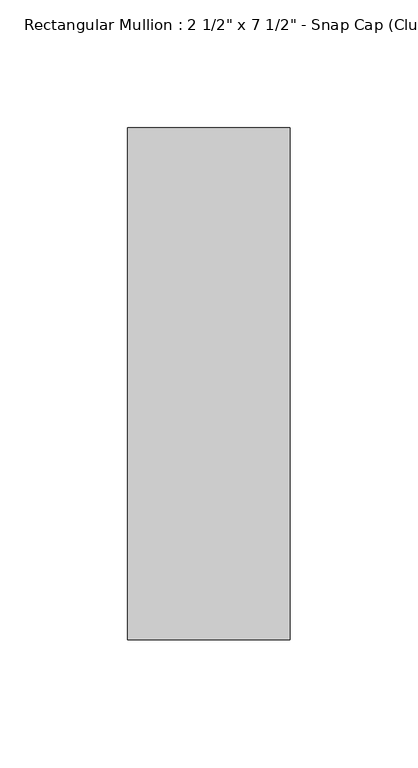
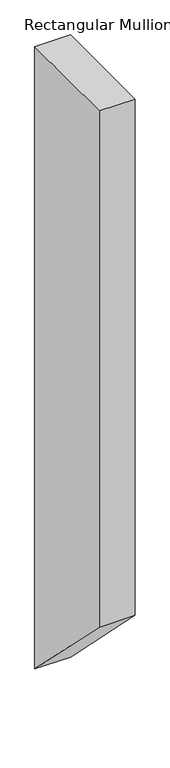
"""IFC4 building model written with IfcOpenShell, lengths in millimetres: member geometry."""

import ifcopenshell
import ifcopenshell.guid

model = None  # the IFC model being written
_history = None  # IfcOwnerHistory: only IFC2X3 demands one
_inside = {}  # id of a spatial element -> (the spatial element, [elements in it])
_under = {}  # id of a project, library or spatial element -> (it, [spatial elements below it])
_declared = {}  # id of a project -> (the project, [libraries it declares])
_typed = {}  # id of a type object -> (the type object, [elements of that type])
_made_of = {}  # id of a material, layer set ... -> (it, [elements and type objects made of it])


def new_model(schema):
    """Start an empty IFC model of exactly this schema.

    Asked for "IFC4X3", IfcOpenShell would pick the latest addendum, in which some entities
    have other attributes; the version numbers below select the first issue.
    IFC2X3 requires an IfcOwnerHistory on every rooted entity: one is made here for all.
    """
    global model, _history
    if schema == "IFC4X3":
        model = ifcopenshell.file(schema_version=(4, 3, 0, 0))
    else:
        model = ifcopenshell.file(schema=schema)
    _inside.clear()
    _under.clear()
    _declared.clear()
    _typed.clear()
    _made_of.clear()
    _history = None
    if model.schema == "IFC2X3":
        org = make("IfcOrganization", Name="unknown")
        user = make(
            "IfcPersonAndOrganization",
            ThePerson=make("IfcPerson", FamilyName="unknown"),
            TheOrganization=org,
        )
        app = make(
            "IfcApplication",
            ApplicationDeveloper=org,
            Version="unknown",
            ApplicationFullName="unknown",
            ApplicationIdentifier="unknown",
        )
        _history = make(
            "IfcOwnerHistory",
            OwningUser=user,
            OwningApplication=app,
            ChangeAction="ADDED",
            CreationDate=0,
        )
    return model


def make(cls, **values):
    """One entity of the class cls with the attributes given. An attribute that is None is left unset."""
    return model.create_entity(
        cls, **{name: value for name, value in values.items() if value is not None}
    )


def rooted(cls, **values):
    """An entity with a GlobalId (a new one), such as an element, a storey or a relation."""
    return make(cls, GlobalId=ifcopenshell.guid.new(), OwnerHistory=_history, **values)


def si_unit(unit_type, name, prefix=None):
    """IfcSIUnit, for example si_unit("LENGTHUNIT", "METRE", prefix="MILLI")."""
    return make("IfcSIUnit", UnitType=unit_type, Prefix=prefix, Name=name)


def assignment(units):
    """IfcUnitAssignment: the units of a project."""
    return None if units is None else make("IfcUnitAssignment", Units=units)


def point(xyz):
    """IfcCartesianPoint."""
    return None if xyz is None else make("IfcCartesianPoint", Coordinates=xyz)


def direction(xyz):
    """IfcDirection."""
    return None if xyz is None else make("IfcDirection", DirectionRatios=xyz)


def frame(location, z_axis=None, x_axis=None):
    """IfcAxis2Placement3D, a coordinate frame: its origin and axes. An axis left out is left unset."""
    return make(
        "IfcAxis2Placement3D",
        Location=point(location),
        Axis=direction(z_axis),
        RefDirection=direction(x_axis),
    )


def origin():
    """The frame at (0, 0, 0) with its axes left unset."""
    return frame((0.0, 0.0, 0.0))


def place(relative_to, where):
    """IfcLocalPlacement: puts the frame where relative to a parent placement (None: the world)."""
    return make(
        "IfcLocalPlacement", PlacementRelTo=relative_to, RelativePlacement=where
    )


def context(
    kind, dimensions, precision=None, world=None, true_north=None, identifier=None
):
    """IfcGeometricRepresentationContext, for example the 3D "Model" context."""
    return make(
        "IfcGeometricRepresentationContext",
        ContextIdentifier=identifier,
        ContextType=kind,
        CoordinateSpaceDimension=dimensions,
        Precision=precision,
        WorldCoordinateSystem=world,
        TrueNorth=true_north,
    )


def project(units=None, contexts=None):
    """IfcProject with its units and contexts."""
    return rooted(
        "IfcProject",
        Name="project",
        RepresentationContexts=contexts,
        UnitsInContext=assignment(units),
    )


def spatial(cls, under=None, at=None, **own):
    """A site, building, storey or space (cls), placed at a placement, below another one or the project."""
    s = rooted(cls, ObjectPlacement=at, **own)
    if under is not None:
        _under.setdefault(under.id(), (under, []))[1].append(s)
    return s


def polyline(points):
    """IfcPolyline through the points."""
    return make("IfcPolyline", Points=[point(p) for p in points])


def outline(outer, holes=None, kind="AREA"):
    """IfcArbitraryClosedProfileDef: a profile drawn as a closed curve; with holes, ...WithVoids."""
    if holes is None:
        return make("IfcArbitraryClosedProfileDef", ProfileType=kind, OuterCurve=outer)
    return make(
        "IfcArbitraryProfileDefWithVoids",
        ProfileType=kind,
        OuterCurve=outer,
        InnerCurves=holes,
    )


def extrude(swept, where, along, depth):
    """IfcExtrudedAreaSolid: the profile swept, set in the frame where, extruded along a direction by depth."""
    return make(
        "IfcExtrudedAreaSolid",
        SweptArea=swept,
        Position=where,
        ExtrudedDirection=direction(along),
        Depth=depth,
    )


def shape(context_of_items, identifier, shape_type, items):
    """IfcShapeRepresentation: the items that make up one representation, for example the "Body"."""
    return make(
        "IfcShapeRepresentation",
        ContextOfItems=context_of_items,
        RepresentationIdentifier=identifier,
        RepresentationType=shape_type,
        Items=items,
    )


def source(mapping_origin, context_of_items, identifier, shape_type, items):
    """IfcRepresentationMap: a shape defined once, which mapped items show again and again."""
    return make(
        "IfcRepresentationMap",
        MappingOrigin=mapping_origin,
        MappedRepresentation=shape(context_of_items, identifier, shape_type, items),
    )


def transform(
    local_origin,
    x_axis=None,
    y_axis=None,
    z_axis=None,
    scale=None,
    scale2=None,
    scale3=None,
    uniform=True,
):
    """IfcCartesianTransformationOperator3D, or its non-uniform kind. x_axis, y_axis, z_axis: its Axis1, 2, 3."""
    if uniform:
        return make(
            "IfcCartesianTransformationOperator3D",
            Axis1=direction(x_axis),
            Axis2=direction(y_axis),
            LocalOrigin=point(local_origin),
            Scale=scale,
            Axis3=direction(z_axis),
        )
    return make(
        "IfcCartesianTransformationOperator3DnonUniform",
        Axis1=direction(x_axis),
        Axis2=direction(y_axis),
        LocalOrigin=point(local_origin),
        Scale=scale,
        Axis3=direction(z_axis),
        Scale2=scale2,
        Scale3=scale3,
    )


def mapped(mapping_source, mapping_target):
    """IfcMappedItem: shows the shape of a source again, moved by a transform."""
    return make(
        "IfcMappedItem", MappingSource=mapping_source, MappingTarget=mapping_target
    )


def made_of(thing, what):
    """Note that an element or type object is made of a material, layer set ...; save() writes the relation."""
    if what is not None:
        _made_of.setdefault(what.id(), (what, []))[1].append(thing)
    return thing


def element(
    cls,
    number,
    at=None,
    inside=None,
    cuts=None,
    type_object=None,
    material=None,
    context=None,
    identifier="Body",
    shape_type=None,
    held_by="IfcProductDefinitionShape",
    body=None,
    shapes=None,
    **own,
):
    """One element of the class cls, such as IfcWall. Its Tag is "e" and its number.

    at: its placement. inside: the storey or other place that contains it. cuts: it is an
    opening in that element (IfcRelVoidsElement). A single representation is given by context,
    identifier, shape_type and body (its items); several are given by shapes. held_by: the class
    of the entity that holds the representations. save() writes the other relations.
    """
    e = rooted(cls, Tag="e%d" % number, ObjectPlacement=at, **own)
    if body is not None:
        shapes = [shape(context, identifier, shape_type, body)]
    if shapes is not None:
        e.Representation = make(held_by, Representations=shapes)
    if inside is not None:
        _inside.setdefault(inside.id(), (inside, []))[1].append(e)
    if cuts is not None:
        rooted(
            "IfcRelVoidsElement", RelatingBuildingElement=cuts, RelatedOpeningElement=e
        )
    if type_object is not None:
        _typed.setdefault(type_object.id(), (type_object, []))[1].append(e)
    return made_of(e, material)


def aggregate(whole, parts):
    """IfcRelAggregates: a whole, such as a stair, and the parts it consists of."""
    return rooted("IfcRelAggregates", RelatingObject=whole, RelatedObjects=parts)


def save(model, path):
    """Write the relations noted so far, then the file.

    IfcRelAggregates (storeys below a building ...), IfcRelContainedInSpatialStructure (elements
    in a storey), IfcRelDefinesByType, IfcRelAssociatesMaterial and IfcRelDeclares: one each for
    every whole, place, type object, material and project.
    """
    for whole, parts in _under.values():
        aggregate(whole, parts)
    for where, things in _inside.values():
        rooted(
            "IfcRelContainedInSpatialStructure",
            RelatedElements=things,
            RelatingStructure=where,
        )
    for kind, things in _typed.values():
        rooted("IfcRelDefinesByType", RelatedObjects=things, RelatingType=kind)
    for what, things in _made_of.values():
        rooted("IfcRelAssociatesMaterial", RelatedObjects=things, RelatingMaterial=what)
    for by, libraries in _declared.values():
        rooted("IfcRelDeclares", RelatingContext=by, RelatedDefinitions=libraries)
    model.write(path)


def member_e4c5f514(model_context):
    return source(origin(), model_context, "Body", "SweptSolid", [
        extrude(outline(polyline([(-174.2, 0.0), (25.8, 0.0), (25.8, -1173.4), (-174.2, -973.4), (-174.2, 0.0)])), frame((-31.75, 0.0, 0.0), z_axis=(1.0, 0.0, 0.0), x_axis=(0.0, 1.0, 0.0)), (0.0, 0.0, 1.0), 63.5),
    ])


if __name__ == "__main__":
    model = new_model("IFC4")
    model_context = context("Model", 3, world=origin())
    ifc_project = project(units=[si_unit("LENGTHUNIT", "METRE", prefix="MILLI")], contexts=[model_context])
    site = spatial("IfcSite", under=ifc_project)
    building = spatial("IfcBuilding", under=site)
    placement = place(None, origin())
    member_shape = member_e4c5f514(model_context)
    element("IfcMember", 1, ObjectType="Rectangular Mullion : 2 1/2\" x 7 1/2\" - Snap Cap (Club)", at=placement, inside=building, context=model_context, shape_type="MappedRepresentation", body=[
        mapped(member_shape, transform((0.0, 0.0, 0.0), x_axis=(1.0, 0.0, 0.0), y_axis=(0.0, 1.0, 0.0), z_axis=(0.0, 0.0, 1.0))),
    ])
    save(model, "model.ifc")
